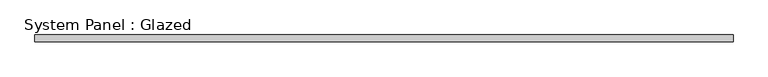
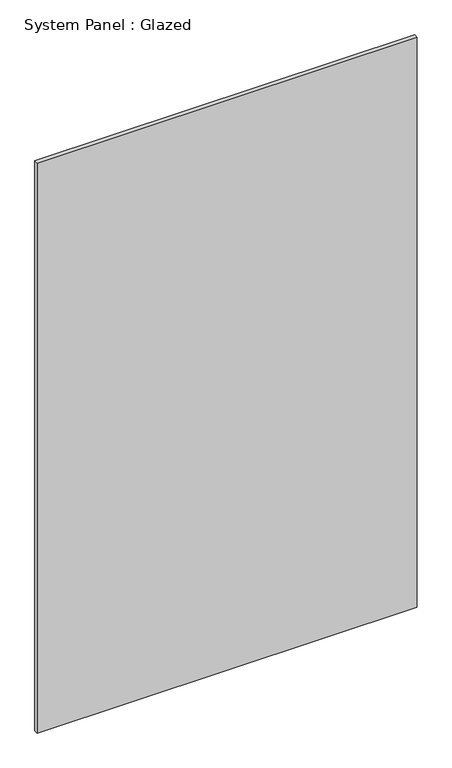
"""IFC4 building model written with IfcOpenShell, lengths in millimetres: plate geometry, System Panel : Glazed."""

from ifc_helpers import new_model, si_unit, origin, origin_with_axes, place, context, project, spatial, polyline, outline, extrude, source, transform, mapped, element, save


def system_panel_glazed_7c7cfac2(model_context):
    return source(origin(), model_context, "Body", "SweptSolid", [
        extrude(outline(polyline([(1257.5000085, -49.5), (-1257.5000085, -49.5), (-1257.5000085, -24.5), (1257.5000085, -24.5), (1257.5000085, -49.5)])), origin_with_axes(), (0.0, 0.0, 1.0), 3985.0),
    ])


if __name__ == "__main__":
    model = new_model("IFC4")
    model_context = context("Model", 3, world=origin())
    ifc_project = project(units=[si_unit("LENGTHUNIT", "METRE", prefix="MILLI")], contexts=[model_context])
    site = spatial("IfcSite", under=ifc_project)
    building = spatial("IfcBuilding", under=site)
    placement = place(None, origin())
    system_panel_glazed_shape = system_panel_glazed_7c7cfac2(model_context)
    element("IfcPlate", 1, ObjectType="System Panel : Glazed", at=placement, inside=building, context=model_context, shape_type="MappedRepresentation", body=[
        mapped(system_panel_glazed_shape, transform((0.0, 0.0, 0.0), x_axis=(1.0, 0.0, 0.0), y_axis=(0.0, 1.0, 0.0), z_axis=(0.0, 0.0, 1.0))),
    ])
    save(model, "model.ifc")
